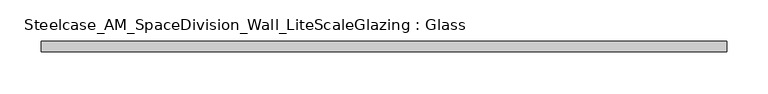
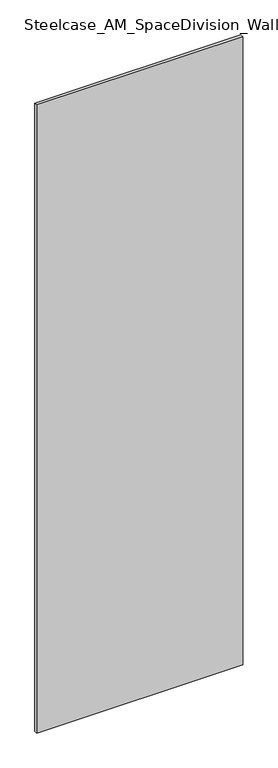
"""IFC4 building model written with IfcOpenShell, lengths in millimetres: plate geometry, Steelcase_AM_SpaceDivision_Wall_LiteScaleGlazing : Glass."""

import ifcopenshell
import ifcopenshell.guid

model = None  # the IFC model being written
_history = None  # IfcOwnerHistory: only IFC2X3 demands one
_inside = {}  # id of a spatial element -> (the spatial element, [elements in it])
_under = {}  # id of a project, library or spatial element -> (it, [spatial elements below it])
_declared = {}  # id of a project -> (the project, [libraries it declares])
_typed = {}  # id of a type object -> (the type object, [elements of that type])
_made_of = {}  # id of a material, layer set ... -> (it, [elements and type objects made of it])


def new_model(schema):
    """Start an empty IFC model of exactly this schema.

    Asked for "IFC4X3", IfcOpenShell would pick the latest addendum, in which some entities
    have other attributes; the version numbers below select the first issue.
    IFC2X3 requires an IfcOwnerHistory on every rooted entity: one is made here for all.
    """
    global model, _history
    if schema == "IFC4X3":
        model = ifcopenshell.file(schema_version=(4, 3, 0, 0))
    else:
        model = ifcopenshell.file(schema=schema)
    _inside.clear()
    _under.clear()
    _declared.clear()
    _typed.clear()
    _made_of.clear()
    _history = None
    if model.schema == "IFC2X3":
        org = make("IfcOrganization", Name="unknown")
        user = make(
            "IfcPersonAndOrganization",
            ThePerson=make("IfcPerson", FamilyName="unknown"),
            TheOrganization=org,
        )
        app = make(
            "IfcApplication",
            ApplicationDeveloper=org,
            Version="unknown",
            ApplicationFullName="unknown",
            ApplicationIdentifier="unknown",
        )
        _history = make(
            "IfcOwnerHistory",
            OwningUser=user,
            OwningApplication=app,
            ChangeAction="ADDED",
            CreationDate=0,
        )
    return model


def make(cls, **values):
    """One entity of the class cls with the attributes given. An attribute that is None is left unset."""
    return model.create_entity(
        cls, **{name: value for name, value in values.items() if value is not None}
    )


def rooted(cls, **values):
    """An entity with a GlobalId (a new one), such as an element, a storey or a relation."""
    return make(cls, GlobalId=ifcopenshell.guid.new(), OwnerHistory=_history, **values)


def si_unit(unit_type, name, prefix=None):
    """IfcSIUnit, for example si_unit("LENGTHUNIT", "METRE", prefix="MILLI")."""
    return make("IfcSIUnit", UnitType=unit_type, Prefix=prefix, Name=name)


def assignment(units):
    """IfcUnitAssignment: the units of a project."""
    return None if units is None else make("IfcUnitAssignment", Units=units)


def point(xyz):
    """IfcCartesianPoint."""
    return None if xyz is None else make("IfcCartesianPoint", Coordinates=xyz)


def direction(xyz):
    """IfcDirection."""
    return None if xyz is None else make("IfcDirection", DirectionRatios=xyz)


def frame(location, z_axis=None, x_axis=None):
    """IfcAxis2Placement3D, a coordinate frame: its origin and axes. An axis left out is left unset."""
    return make(
        "IfcAxis2Placement3D",
        Location=point(location),
        Axis=direction(z_axis),
        RefDirection=direction(x_axis),
    )


def origin():
    """The frame at (0, 0, 0) with its axes left unset."""
    return frame((0.0, 0.0, 0.0))


def origin_with_axes():
    """The frame at (0, 0, 0) with the z axis (0, 0, 1) and the x axis (1, 0, 0) written out."""
    return frame((0.0, 0.0, 0.0), z_axis=(0.0, 0.0, 1.0), x_axis=(1.0, 0.0, 0.0))


def place(relative_to, where):
    """IfcLocalPlacement: puts the frame where relative to a parent placement (None: the world)."""
    return make(
        "IfcLocalPlacement", PlacementRelTo=relative_to, RelativePlacement=where
    )


def context(
    kind, dimensions, precision=None, world=None, true_north=None, identifier=None
):
    """IfcGeometricRepresentationContext, for example the 3D "Model" context."""
    return make(
        "IfcGeometricRepresentationContext",
        ContextIdentifier=identifier,
        ContextType=kind,
        CoordinateSpaceDimension=dimensions,
        Precision=precision,
        WorldCoordinateSystem=world,
        TrueNorth=true_north,
    )


def project(units=None, contexts=None):
    """IfcProject with its units and contexts."""
    return rooted(
        "IfcProject",
        Name="project",
        RepresentationContexts=contexts,
        UnitsInContext=assignment(units),
    )


def spatial(cls, under=None, at=None, **own):
    """A site, building, storey or space (cls), placed at a placement, below another one or the project."""
    s = rooted(cls, ObjectPlacement=at, **own)
    if under is not None:
        _under.setdefault(under.id(), (under, []))[1].append(s)
    return s


def polyline(points):
    """IfcPolyline through the points."""
    return make("IfcPolyline", Points=[point(p) for p in points])


def outline(outer, holes=None, kind="AREA"):
    """IfcArbitraryClosedProfileDef: a profile drawn as a closed curve; with holes, ...WithVoids."""
    if holes is None:
        return make("IfcArbitraryClosedProfileDef", ProfileType=kind, OuterCurve=outer)
    return make(
        "IfcArbitraryProfileDefWithVoids",
        ProfileType=kind,
        OuterCurve=outer,
        InnerCurves=holes,
    )


def extrude(swept, where, along, depth):
    """IfcExtrudedAreaSolid: the profile swept, set in the frame where, extruded along a direction by depth."""
    return make(
        "IfcExtrudedAreaSolid",
        SweptArea=swept,
        Position=where,
        ExtrudedDirection=direction(along),
        Depth=depth,
    )


def shape(context_of_items, identifier, shape_type, items):
    """IfcShapeRepresentation: the items that make up one representation, for example the "Body"."""
    return make(
        "IfcShapeRepresentation",
        ContextOfItems=context_of_items,
        RepresentationIdentifier=identifier,
        RepresentationType=shape_type,
        Items=items,
    )


def source(mapping_origin, context_of_items, identifier, shape_type, items):
    """IfcRepresentationMap: a shape defined once, which mapped items show again and again."""
    return make(
        "IfcRepresentationMap",
        MappingOrigin=mapping_origin,
        MappedRepresentation=shape(context_of_items, identifier, shape_type, items),
    )


def transform(
    local_origin,
    x_axis=None,
    y_axis=None,
    z_axis=None,
    scale=None,
    scale2=None,
    scale3=None,
    uniform=True,
):
    """IfcCartesianTransformationOperator3D, or its non-uniform kind. x_axis, y_axis, z_axis: its Axis1, 2, 3."""
    if uniform:
        return make(
            "IfcCartesianTransformationOperator3D",
            Axis1=direction(x_axis),
            Axis2=direction(y_axis),
            LocalOrigin=point(local_origin),
            Scale=scale,
            Axis3=direction(z_axis),
        )
    return make(
        "IfcCartesianTransformationOperator3DnonUniform",
        Axis1=direction(x_axis),
        Axis2=direction(y_axis),
        LocalOrigin=point(local_origin),
        Scale=scale,
        Axis3=direction(z_axis),
        Scale2=scale2,
        Scale3=scale3,
    )


def mapped(mapping_source, mapping_target):
    """IfcMappedItem: shows the shape of a source again, moved by a transform."""
    return make(
        "IfcMappedItem", MappingSource=mapping_source, MappingTarget=mapping_target
    )


def made_of(thing, what):
    """Note that an element or type object is made of a material, layer set ...; save() writes the relation."""
    if what is not None:
        _made_of.setdefault(what.id(), (what, []))[1].append(thing)
    return thing


def element(
    cls,
    number,
    at=None,
    inside=None,
    cuts=None,
    type_object=None,
    material=None,
    context=None,
    identifier="Body",
    shape_type=None,
    held_by="IfcProductDefinitionShape",
    body=None,
    shapes=None,
    **own,
):
    """One element of the class cls, such as IfcWall. Its Tag is "e" and its number.

    at: its placement. inside: the storey or other place that contains it. cuts: it is an
    opening in that element (IfcRelVoidsElement). A single representation is given by context,
    identifier, shape_type and body (its items); several are given by shapes. held_by: the class
    of the entity that holds the representations. save() writes the other relations.
    """
    e = rooted(cls, Tag="e%d" % number, ObjectPlacement=at, **own)
    if body is not None:
        shapes = [shape(context, identifier, shape_type, body)]
    if shapes is not None:
        e.Representation = make(held_by, Representations=shapes)
    if inside is not None:
        _inside.setdefault(inside.id(), (inside, []))[1].append(e)
    if cuts is not None:
        rooted(
            "IfcRelVoidsElement", RelatingBuildingElement=cuts, RelatedOpeningElement=e
        )
    if type_object is not None:
        _typed.setdefault(type_object.id(), (type_object, []))[1].append(e)
    return made_of(e, material)


def aggregate(whole, parts):
    """IfcRelAggregates: a whole, such as a stair, and the parts it consists of."""
    return rooted("IfcRelAggregates", RelatingObject=whole, RelatedObjects=parts)


def save(model, path):
    """Write the relations noted so far, then the file.

    IfcRelAggregates (storeys below a building ...), IfcRelContainedInSpatialStructure (elements
    in a storey), IfcRelDefinesByType, IfcRelAssociatesMaterial and IfcRelDeclares: one each for
    every whole, place, type object, material and project.
    """
    for whole, parts in _under.values():
        aggregate(whole, parts)
    for where, things in _inside.values():
        rooted(
            "IfcRelContainedInSpatialStructure",
            RelatedElements=things,
            RelatingStructure=where,
        )
    for kind, things in _typed.values():
        rooted("IfcRelDefinesByType", RelatedObjects=things, RelatingType=kind)
    for what, things in _made_of.values():
        rooted("IfcRelAssociatesMaterial", RelatedObjects=things, RelatingMaterial=what)
    for by, libraries in _declared.values():
        rooted("IfcRelDeclares", RelatingContext=by, RelatedDefinitions=libraries)
    model.write(path)


def steelcase_am_spacedivision_wall_litescaleglazing_glass_11c3fe8a(model_context):
    return source(origin(), model_context, "Body", "SweptSolid", [
        extrude(outline(polyline([(-413.6085511, -6.349956), (-413.6085511, 6.3502015), (413.6085511, 6.3502015), (413.6085511, -6.349956), (-413.6085511, -6.349956)])), origin_with_axes(), (0.0, 0.0, 1.0), 2665.984),
    ])


if __name__ == "__main__":
    model = new_model("IFC4")
    model_context = context("Model", 3, world=origin())
    ifc_project = project(units=[si_unit("LENGTHUNIT", "METRE", prefix="MILLI")], contexts=[model_context])
    site = spatial("IfcSite", under=ifc_project)
    building = spatial("IfcBuilding", under=site)
    placement = place(None, origin())
    steelcase_am_spacedivision_wall_litescaleglazing_glass_shape = steelcase_am_spacedivision_wall_litescaleglazing_glass_11c3fe8a(model_context)
    element("IfcPlate", 1, ObjectType="Steelcase_AM_SpaceDivision_Wall_LiteScaleGlazing : Glass", at=placement, inside=building, context=model_context, shape_type="MappedRepresentation", body=[
        mapped(steelcase_am_spacedivision_wall_litescaleglazing_glass_shape, transform((0.0, 0.0, 0.0), x_axis=(1.0, 0.0, 0.0), y_axis=(0.0, 1.0, 0.0), z_axis=(0.0, 0.0, 1.0))),
    ])
    save(model, "model.ifc")
